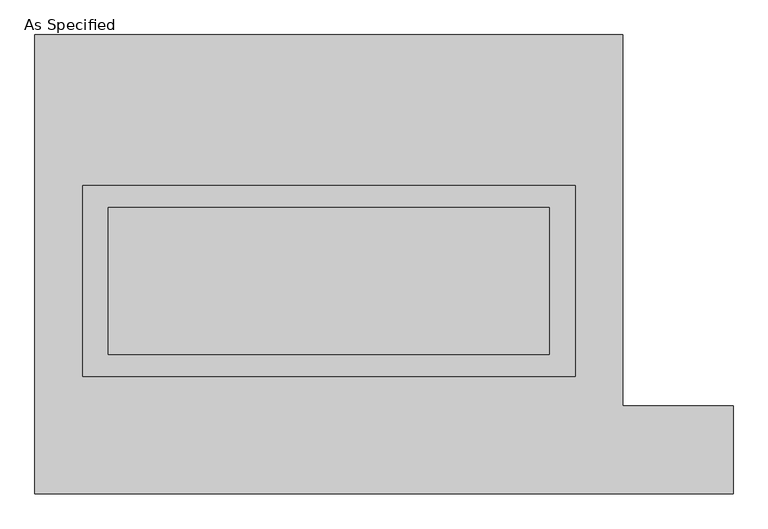
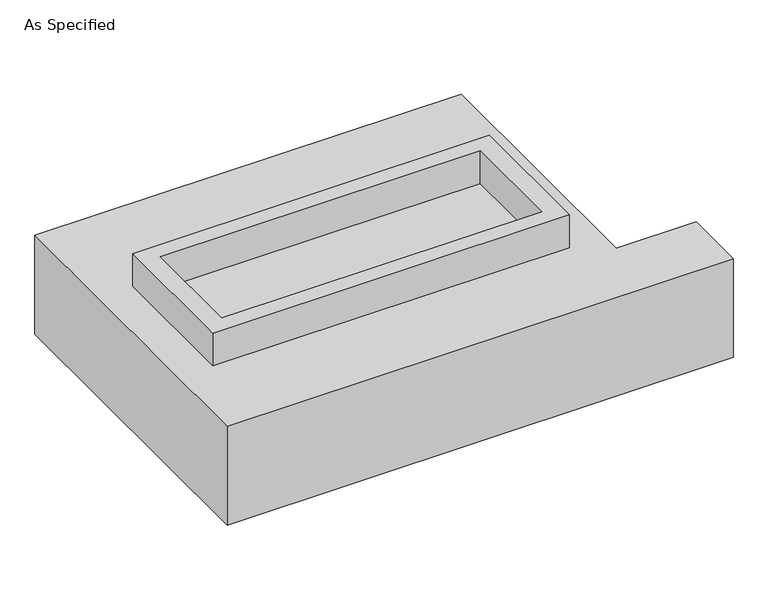
"""IFC4 building model written with IfcOpenShell, lengths in millimetres: proxy geometry, As Specified."""

import ifcopenshell
import ifcopenshell.guid

model = None  # the IFC model being written
_history = None  # IfcOwnerHistory: only IFC2X3 demands one
_inside = {}  # id of a spatial element -> (the spatial element, [elements in it])
_under = {}  # id of a project, library or spatial element -> (it, [spatial elements below it])
_declared = {}  # id of a project -> (the project, [libraries it declares])
_typed = {}  # id of a type object -> (the type object, [elements of that type])
_made_of = {}  # id of a material, layer set ... -> (it, [elements and type objects made of it])


def new_model(schema):
    """Start an empty IFC model of exactly this schema.

    Asked for "IFC4X3", IfcOpenShell would pick the latest addendum, in which some entities
    have other attributes; the version numbers below select the first issue.
    IFC2X3 requires an IfcOwnerHistory on every rooted entity: one is made here for all.
    """
    global model, _history
    if schema == "IFC4X3":
        model = ifcopenshell.file(schema_version=(4, 3, 0, 0))
    else:
        model = ifcopenshell.file(schema=schema)
    _inside.clear()
    _under.clear()
    _declared.clear()
    _typed.clear()
    _made_of.clear()
    _history = None
    if model.schema == "IFC2X3":
        org = make("IfcOrganization", Name="unknown")
        user = make(
            "IfcPersonAndOrganization",
            ThePerson=make("IfcPerson", FamilyName="unknown"),
            TheOrganization=org,
        )
        app = make(
            "IfcApplication",
            ApplicationDeveloper=org,
            Version="unknown",
            ApplicationFullName="unknown",
            ApplicationIdentifier="unknown",
        )
        _history = make(
            "IfcOwnerHistory",
            OwningUser=user,
            OwningApplication=app,
            ChangeAction="ADDED",
            CreationDate=0,
        )
    return model


def make(cls, **values):
    """One entity of the class cls with the attributes given. An attribute that is None is left unset."""
    return model.create_entity(
        cls, **{name: value for name, value in values.items() if value is not None}
    )


def rooted(cls, **values):
    """An entity with a GlobalId (a new one), such as an element, a storey or a relation."""
    return make(cls, GlobalId=ifcopenshell.guid.new(), OwnerHistory=_history, **values)


def si_unit(unit_type, name, prefix=None):
    """IfcSIUnit, for example si_unit("LENGTHUNIT", "METRE", prefix="MILLI")."""
    return make("IfcSIUnit", UnitType=unit_type, Prefix=prefix, Name=name)


def assignment(units):
    """IfcUnitAssignment: the units of a project."""
    return None if units is None else make("IfcUnitAssignment", Units=units)


def point(xyz):
    """IfcCartesianPoint."""
    return None if xyz is None else make("IfcCartesianPoint", Coordinates=xyz)


def direction(xyz):
    """IfcDirection."""
    return None if xyz is None else make("IfcDirection", DirectionRatios=xyz)


def frame(location, z_axis=None, x_axis=None):
    """IfcAxis2Placement3D, a coordinate frame: its origin and axes. An axis left out is left unset."""
    return make(
        "IfcAxis2Placement3D",
        Location=point(location),
        Axis=direction(z_axis),
        RefDirection=direction(x_axis),
    )


def origin():
    """The frame at (0, 0, 0) with its axes left unset."""
    return frame((0.0, 0.0, 0.0))


def place(relative_to, where):
    """IfcLocalPlacement: puts the frame where relative to a parent placement (None: the world)."""
    return make(
        "IfcLocalPlacement", PlacementRelTo=relative_to, RelativePlacement=where
    )


def context(
    kind, dimensions, precision=None, world=None, true_north=None, identifier=None
):
    """IfcGeometricRepresentationContext, for example the 3D "Model" context."""
    return make(
        "IfcGeometricRepresentationContext",
        ContextIdentifier=identifier,
        ContextType=kind,
        CoordinateSpaceDimension=dimensions,
        Precision=precision,
        WorldCoordinateSystem=world,
        TrueNorth=true_north,
    )


def project(units=None, contexts=None):
    """IfcProject with its units and contexts."""
    return rooted(
        "IfcProject",
        Name="project",
        RepresentationContexts=contexts,
        UnitsInContext=assignment(units),
    )


def spatial(cls, under=None, at=None, **own):
    """A site, building, storey or space (cls), placed at a placement, below another one or the project."""
    s = rooted(cls, ObjectPlacement=at, **own)
    if under is not None:
        _under.setdefault(under.id(), (under, []))[1].append(s)
    return s


def polyline(points):
    """IfcPolyline through the points."""
    return make("IfcPolyline", Points=[point(p) for p in points])


def outline(outer, holes=None, kind="AREA"):
    """IfcArbitraryClosedProfileDef: a profile drawn as a closed curve; with holes, ...WithVoids."""
    if holes is None:
        return make("IfcArbitraryClosedProfileDef", ProfileType=kind, OuterCurve=outer)
    return make(
        "IfcArbitraryProfileDefWithVoids",
        ProfileType=kind,
        OuterCurve=outer,
        InnerCurves=holes,
    )


def extrude(swept, where, along, depth):
    """IfcExtrudedAreaSolid: the profile swept, set in the frame where, extruded along a direction by depth."""
    return make(
        "IfcExtrudedAreaSolid",
        SweptArea=swept,
        Position=where,
        ExtrudedDirection=direction(along),
        Depth=depth,
    )


def shape(context_of_items, identifier, shape_type, items):
    """IfcShapeRepresentation: the items that make up one representation, for example the "Body"."""
    return make(
        "IfcShapeRepresentation",
        ContextOfItems=context_of_items,
        RepresentationIdentifier=identifier,
        RepresentationType=shape_type,
        Items=items,
    )


def source(mapping_origin, context_of_items, identifier, shape_type, items):
    """IfcRepresentationMap: a shape defined once, which mapped items show again and again."""
    return make(
        "IfcRepresentationMap",
        MappingOrigin=mapping_origin,
        MappedRepresentation=shape(context_of_items, identifier, shape_type, items),
    )


def transform(
    local_origin,
    x_axis=None,
    y_axis=None,
    z_axis=None,
    scale=None,
    scale2=None,
    scale3=None,
    uniform=True,
):
    """IfcCartesianTransformationOperator3D, or its non-uniform kind. x_axis, y_axis, z_axis: its Axis1, 2, 3."""
    if uniform:
        return make(
            "IfcCartesianTransformationOperator3D",
            Axis1=direction(x_axis),
            Axis2=direction(y_axis),
            LocalOrigin=point(local_origin),
            Scale=scale,
            Axis3=direction(z_axis),
        )
    return make(
        "IfcCartesianTransformationOperator3DnonUniform",
        Axis1=direction(x_axis),
        Axis2=direction(y_axis),
        LocalOrigin=point(local_origin),
        Scale=scale,
        Axis3=direction(z_axis),
        Scale2=scale2,
        Scale3=scale3,
    )


def mapped(mapping_source, mapping_target):
    """IfcMappedItem: shows the shape of a source again, moved by a transform."""
    return make(
        "IfcMappedItem", MappingSource=mapping_source, MappingTarget=mapping_target
    )


def made_of(thing, what):
    """Note that an element or type object is made of a material, layer set ...; save() writes the relation."""
    if what is not None:
        _made_of.setdefault(what.id(), (what, []))[1].append(thing)
    return thing


def element(
    cls,
    number,
    at=None,
    inside=None,
    cuts=None,
    type_object=None,
    material=None,
    context=None,
    identifier="Body",
    shape_type=None,
    held_by="IfcProductDefinitionShape",
    body=None,
    shapes=None,
    **own,
):
    """One element of the class cls, such as IfcWall. Its Tag is "e" and its number.

    at: its placement. inside: the storey or other place that contains it. cuts: it is an
    opening in that element (IfcRelVoidsElement). A single representation is given by context,
    identifier, shape_type and body (its items); several are given by shapes. held_by: the class
    of the entity that holds the representations. save() writes the other relations.
    """
    e = rooted(cls, Tag="e%d" % number, ObjectPlacement=at, **own)
    if body is not None:
        shapes = [shape(context, identifier, shape_type, body)]
    if shapes is not None:
        e.Representation = make(held_by, Representations=shapes)
    if inside is not None:
        _inside.setdefault(inside.id(), (inside, []))[1].append(e)
    if cuts is not None:
        rooted(
            "IfcRelVoidsElement", RelatingBuildingElement=cuts, RelatedOpeningElement=e
        )
    if type_object is not None:
        _typed.setdefault(type_object.id(), (type_object, []))[1].append(e)
    return made_of(e, material)


def aggregate(whole, parts):
    """IfcRelAggregates: a whole, such as a stair, and the parts it consists of."""
    return rooted("IfcRelAggregates", RelatingObject=whole, RelatedObjects=parts)


def save(model, path):
    """Write the relations noted so far, then the file.

    IfcRelAggregates (storeys below a building ...), IfcRelContainedInSpatialStructure (elements
    in a storey), IfcRelDefinesByType, IfcRelAssociatesMaterial and IfcRelDeclares: one each for
    every whole, place, type object, material and project.
    """
    for whole, parts in _under.values():
        aggregate(whole, parts)
    for where, things in _inside.values():
        rooted(
            "IfcRelContainedInSpatialStructure",
            RelatedElements=things,
            RelatingStructure=where,
        )
    for kind, things in _typed.values():
        rooted("IfcRelDefinesByType", RelatedObjects=things, RelatingType=kind)
    for what, things in _made_of.values():
        rooted("IfcRelAssociatesMaterial", RelatedObjects=things, RelatingMaterial=what)
    for by, libraries in _declared.values():
        rooted("IfcRelDeclares", RelatingContext=by, RelatedDefinitions=libraries)
    model.write(path)


def as_specified_d662f732(model_context):
    return source(origin(), model_context, "Body", "SweptSolid", [
        extrude(outline(polyline([(850.9, 273.05), (850.9, -387.35), (-850.9, -387.35), (-850.9, 273.05), (850.9, 273.05)]), holes=[polyline([(762.0, 196.85), (-762.0, 196.85), (-762.0, -311.15), (762.0, -311.15), (762.0, 196.85)])]), frame((0.0, 0.0, -688.975), z_axis=(0.0, 0.0, 1.0), x_axis=(1.0, 0.0, 0.0)), (0.0, 0.0, 1.0), 165.1),
        extrude(outline(polyline([(850.9, 273.05), (850.9, -387.35), (-850.9, -387.35), (-850.9, 273.05), (850.9, 273.05)]), holes=[polyline([(762.0, 196.85), (-762.0, 196.85), (-762.0, -311.15), (762.0, -311.15), (762.0, 196.85)])]), frame((0.0, 0.0, -25.4), z_axis=(0.0, 0.0, 1.0), x_axis=(1.0, 0.0, 0.0)), (0.0, 0.0, 1.0), 165.1),
        extrude(outline(polyline([(762.0, 196.85), (762.0, -311.15), (-762.0, -311.15), (-762.0, 196.85), (762.0, 196.85)])), frame((0.0, 0.0, -523.875), z_axis=(0.0, 0.0, 1.0), x_axis=(1.0, 0.0, 0.0)), (0.0, 0.0, 1.0), 4.9609375),
        extrude(outline(polyline([(762.0, 196.85), (762.0, -311.15), (-762.0, -311.15), (-762.0, 196.85), (762.0, 196.85)])), frame((0.0, 0.0, -30.3609375), z_axis=(0.0, 0.0, 1.0), x_axis=(1.0, 0.0, 0.0)), (0.0, 0.0, 1.0), 4.9609375),
        extrude(outline(polyline([(-1016.0, 793.75), (1016.0, 793.75), (1016.0, -488.95), (1397.0, -488.95), (1397.0, -793.75), (-1016.0, -793.75), (-1016.0, 793.75)]), holes=[polyline([(-850.9, 273.05), (-850.9, -387.35), (850.9, -387.35), (850.9, 273.05), (-850.9, 273.05)])]), frame((0.0, 0.0, -523.875), z_axis=(0.0, 0.0, 1.0), x_axis=(1.0, 0.0, 0.0)), (0.0, 0.0, 1.0), 498.475),
    ])


if __name__ == "__main__":
    model = new_model("IFC4")
    model_context = context("Model", 3, world=origin())
    ifc_project = project(units=[si_unit("LENGTHUNIT", "METRE", prefix="MILLI")], contexts=[model_context])
    site = spatial("IfcSite", under=ifc_project)
    building = spatial("IfcBuilding", under=site)
    placement = place(None, origin())
    as_specified_shape = as_specified_d662f732(model_context)
    element("IfcBuildingElementProxy", 1, Name="As Specified", ObjectType="As Specified", at=placement, inside=building, context=model_context, shape_type="MappedRepresentation", body=[
        mapped(as_specified_shape, transform((0.0, 0.0, 0.0), x_axis=(1.0, 0.0, 0.0), y_axis=(0.0, 1.0, 0.0), z_axis=(0.0, 0.0, 1.0))),
    ])
    save(model, "model.ifc")
